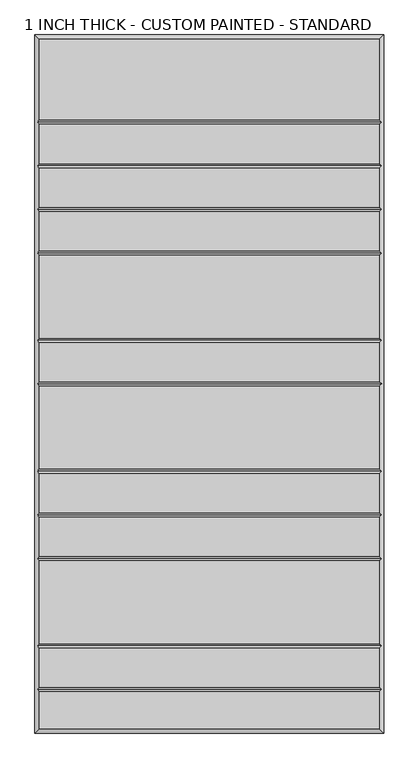
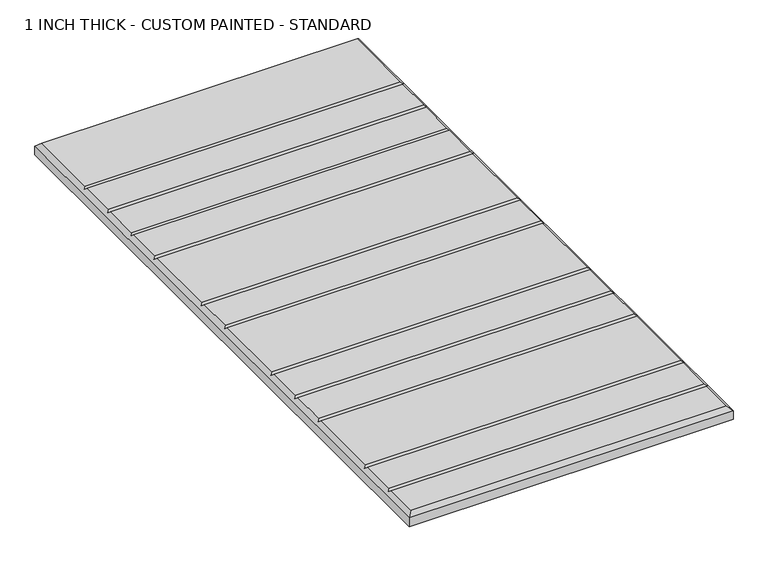
"""IFC4 building model written with IfcOpenShell, lengths in millimetres: proxy geometry, 1 INCH THICK - CUSTOM PAINTED - STANDARD."""

from ifc_helpers import new_model, si_unit, origin, place, context, project, spatial, faceted_brep, source, transform, mapped, element, save


def proxy_1_inch_thick_custom_painted_standard_b9233ef3(model_context):
    return source(origin(), model_context, "Body", "Brep", [
        faceted_brep([(296.799, 601.599, 25.4), (-296.799, 601.599, 25.4), (-296.799, 461.2005, 25.4), (296.799, 461.2005, 25.4), (-296.799, -601.599, 25.4), (296.799, -601.599, 25.4), (296.799, -537.4005, 25.4), (-296.799, -537.4005, 25.4), (296.799, 376.9995, 25.4), (-296.799, 376.9995, 25.4), (-296.799, 308.8005, 25.4), (296.799, 308.8005, 25.4), (-296.799, 385.0005, 25.4), (296.799, 385.0005, 25.4), (296.799, 453.1995, 25.4), (-296.799, 453.1995, 25.4), (296.799, 300.7995, 25.4), (-296.799, 300.7995, 25.4), (-296.799, 232.6005, 25.4), (296.799, 232.6005, 25.4), (296.799, 224.5995, 25.4), (-296.799, 224.5995, 25.4), (-296.799, 80.2005, 25.4), (296.799, 80.2005, 25.4), (296.799, 72.1995, 25.4), (-296.799, 72.1995, 25.4), (-296.799, 4.0005, 25.4), (296.799, 4.0005, 25.4), (296.799, -4.0005, 25.4), (-296.799, -4.0005, 25.4), (-296.799, -148.3995, 25.4), (296.799, -148.3995, 25.4), (296.799, -156.4005, 25.4), (-296.799, -156.4005, 25.4), (-296.799, -224.5995, 25.4), (296.799, -224.5995, 25.4), (296.799, -232.6005, 25.4), (-296.799, -232.6005, 25.4), (-296.799, -300.7995, 25.4), (296.799, -300.7995, 25.4), (296.799, -308.8005, 25.4), (-296.799, -308.8005, 25.4), (-296.799, -453.1995, 25.4), (296.799, -453.1995, 25.4), (296.799, -461.2005, 25.4), (-296.799, -461.2005, 25.4), (-296.799, -529.3995, 25.4), (296.799, -529.3995, 25.4), (-304.8, 609.6, 0.0), (304.8, 609.6, 0.0), (304.8, -609.6, 0.0), (-304.8, -609.6, 0.0), (-304.8, -609.6, 17.399), (-304.8, 609.6, 17.399), (304.8, -609.6, 17.399), (304.8, 609.6, 17.399), (-300.7995, -533.4, 21.3995), (-300.7995, -457.2, 21.3995), (-300.7995, -304.8, 21.3995), (-300.7995, -228.6, 21.3995), (-300.7995, -152.4, 21.3995), (-300.7995, 0.0, 21.3995), (-300.7995, 76.2, 21.3995), (-300.7995, 228.6, 21.3995), (-300.7995, 304.8, 21.3995), (-300.7995, 381.0, 21.3995), (-300.7995, 457.2, 21.3995), (300.7995, 457.2, 21.3995), (300.7995, 381.0, 21.3995), (300.7995, 304.8, 21.3995), (300.7995, 228.6, 21.3995), (300.7995, 76.2, 21.3995), (300.7995, 0.0, 21.3995), (300.7995, -152.4, 21.3995), (300.7995, -228.6, 21.3995), (300.7995, -304.8, 21.3995), (300.7995, -457.2, 21.3995), (300.7995, -533.4, 21.3995)], [[[0, 1, 2, 3]], [[4, 5, 6, 7]], [[8, 9, 10, 11]], [[12, 13, 14, 15]], [[16, 17, 18, 19]], [[20, 21, 22, 23]], [[24, 25, 26, 27]], [[28, 29, 30, 31]], [[32, 33, 34, 35]], [[36, 37, 38, 39]], [[40, 41, 42, 43]], [[44, 45, 46, 47]], [[48, 49, 50, 51]], [[48, 51, 52, 53]], [[51, 50, 54, 52]], [[50, 49, 55, 54]], [[49, 48, 53, 55]], [[53, 1, 0, 55]], [[1, 53, 52, 4, 7, 56, 46, 45, 57, 42, 41, 58, 38, 37, 59, 34, 33, 60, 30, 29, 61, 26, 25, 62, 22, 21, 63, 18, 17, 64, 10, 9, 65, 12, 15, 66, 2]], [[4, 52, 54, 5]], [[55, 0, 3, 67, 14, 13, 68, 8, 11, 69, 16, 19, 70, 20, 23, 71, 24, 27, 72, 28, 31, 73, 32, 35, 74, 36, 39, 75, 40, 43, 76, 44, 47, 77, 6, 5, 54]], [[68, 65, 9, 8]], [[65, 68, 13, 12]], [[69, 64, 17, 16]], [[64, 69, 11, 10]], [[70, 63, 21, 20]], [[63, 70, 19, 18]], [[71, 62, 25, 24]], [[62, 71, 23, 22]], [[72, 61, 29, 28]], [[61, 72, 27, 26]], [[73, 60, 33, 32]], [[60, 73, 31, 30]], [[74, 59, 37, 36]], [[59, 74, 35, 34]], [[75, 58, 41, 40]], [[58, 75, 39, 38]], [[76, 57, 45, 44]], [[57, 76, 43, 42]], [[77, 56, 7, 6]], [[56, 77, 47, 46]], [[67, 66, 15, 14]], [[66, 67, 3, 2]]]),
    ])


if __name__ == "__main__":
    model = new_model("IFC4")
    model_context = context("Model", 3, world=origin())
    ifc_project = project(units=[si_unit("LENGTHUNIT", "METRE", prefix="MILLI")], contexts=[model_context])
    site = spatial("IfcSite", under=ifc_project)
    building = spatial("IfcBuilding", under=site)
    placement = place(None, origin())
    proxy_1_inch_thick_custom_painted_standard_shape = proxy_1_inch_thick_custom_painted_standard_b9233ef3(model_context)
    element("IfcBuildingElementProxy", 1, Name="1 INCH THICK - CUSTOM PAINTED - STANDARD", ObjectType="1 INCH THICK - CUSTOM PAINTED - STANDARD", at=placement, inside=building, context=model_context, shape_type="MappedRepresentation", body=[
        mapped(proxy_1_inch_thick_custom_painted_standard_shape, transform((0.0, 0.0, 0.0), x_axis=(1.0, 0.0, 0.0), y_axis=(0.0, 1.0, 0.0), z_axis=(0.0, 0.0, 1.0))),
    ])
    save(model, "model.ifc")
